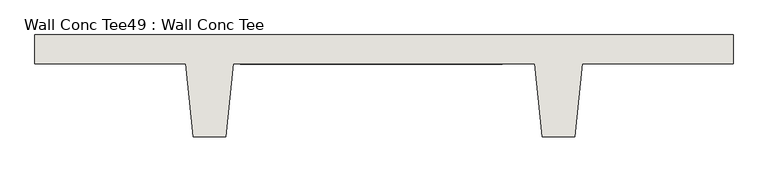
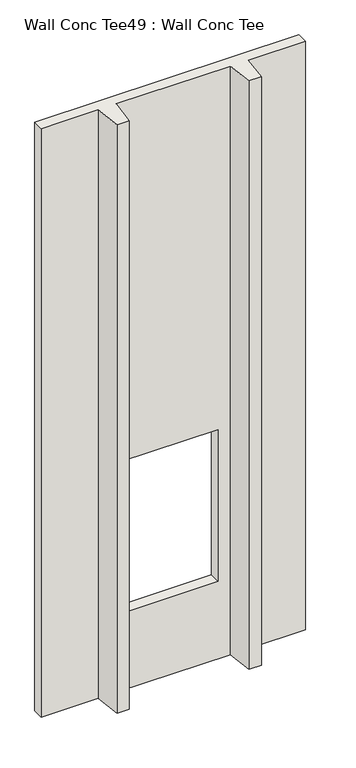
"""IFC4 building model written with IfcOpenShell, lengths in millimetres: wall geometry, Wall Conc Tee49 : Wall Conc Tee."""

from ifc_helpers import new_model, si_unit, origin, place, context, project, spatial, faceted_brep, source, transform, mapped, element, save


def wall_conc_tee49_wall_conc_tee_0e08da14(model_context):
    return source(origin(), model_context, "Body", "Brep", [
        faceted_brep([(202400.6728488, 159042.8596581, 5884.1592564), (199962.2728488, 159042.8596581, 5884.1592564), (199962.2728488, 158941.2596581, 5884.1592564), (200489.3228488, 158941.2596581, 5884.1592564), (200514.7228488, 158687.2596581, 5884.1592564), (200629.0228488, 158687.2596581, 5884.1592564), (200654.4228488, 158941.2596581, 5884.1592564), (201708.5228488, 158941.2596581, 5884.1592564), (201733.9228488, 158687.2596581, 5884.1592564), (201848.2228488, 158687.2596581, 5884.1592564), (201873.6228488, 158941.2596581, 5884.1592564), (202400.6728488, 158941.2596581, 5884.1592564), (202400.6728488, 159042.8596581, 143.7592564), (202400.6728488, 158941.2596581, 143.7592564), (201873.6228488, 158941.2596581, 143.7592564), (201848.2228488, 158687.2596581, 143.7592564), (201733.9228488, 158687.2596581, 143.7592564), (201708.5228488, 158941.2596581, 143.7592564), (200654.4228488, 158941.2596581, 143.7592564), (200629.0228488, 158687.2596581, 143.7592564), (200514.7228488, 158687.2596581, 143.7592564), (200489.3228488, 158941.2596581, 143.7592564), (199962.2728488, 158941.2596581, 143.7592564), (199962.2728488, 159042.8596581, 143.7592564), (201594.2228488, 159042.8596581, 899.4092564), (201594.2228488, 159042.8596581, 2378.9592564), (200679.8228488, 159042.8596581, 2378.9592564), (200679.8228488, 159042.8596581, 899.4092564), (201594.2228488, 158941.2596581, 2378.9592564), (201594.2228488, 158941.2596581, 899.4092564), (200679.8228488, 158941.2596581, 899.4092564), (200679.8228488, 158941.2596581, 2378.9592564)], [[[0, 1, 2, 3, 4, 5, 6, 7, 8, 9, 10, 11]], [[12, 13, 14, 15, 16, 17, 18, 19, 20, 21, 22, 23]], [[1, 0, 12, 23], [24, 25, 26, 27]], [[2, 1, 23, 22]], [[3, 2, 22, 21]], [[4, 3, 21, 20]], [[5, 4, 20, 19]], [[6, 5, 19, 18]], [[7, 6, 18, 17], [28, 29, 30, 31]], [[8, 7, 17, 16]], [[9, 8, 16, 15]], [[10, 9, 15, 14]], [[11, 10, 14, 13]], [[0, 11, 13, 12]], [[28, 25, 24, 29]], [[29, 24, 27, 30]], [[30, 27, 26, 31]], [[25, 28, 31, 26]]]),
    ])


if __name__ == "__main__":
    model = new_model("IFC4")
    model_context = context("Model", 3, world=origin())
    ifc_project = project(units=[si_unit("LENGTHUNIT", "METRE", prefix="MILLI")], contexts=[model_context])
    site = spatial("IfcSite", under=ifc_project)
    building = spatial("IfcBuilding", under=site)
    placement = place(None, origin())
    wall_conc_tee49_wall_conc_tee_shape = wall_conc_tee49_wall_conc_tee_0e08da14(model_context)
    element("IfcWall", 1, ObjectType="Wall Conc Tee49 : Wall Conc Tee", at=placement, inside=building, context=model_context, shape_type="MappedRepresentation", body=[
        mapped(wall_conc_tee49_wall_conc_tee_shape, transform((0.0, 0.0, 0.0), x_axis=(1.0, 0.0, 0.0), y_axis=(0.0, 1.0, 0.0), z_axis=(0.0, 0.0, 1.0))),
    ])
    save(model, "model.ifc")
